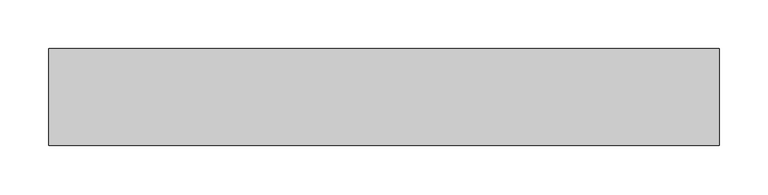
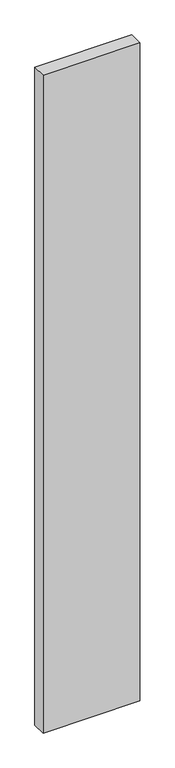
"""IFC4 building model written with IfcOpenShell, lengths in millimetres: proxy geometry."""

from ifc_helpers import new_model, si_unit, frame, origin, place, context, project, spatial, polyline, outline, extrude, source, transform, mapped, element, save


def generic_models_8cb3d6e7(model_context):
    return source(origin(), model_context, "Body", "SweptSolid", [
        extrude(outline(polyline([(690.0, 100.0), (690.0, 0.0), (0.0, 0.0), (0.0, 100.0), (690.0, 100.0)])), frame((0.0, 0.0, -4950.0), z_axis=(0.0, 0.0, 1.0), x_axis=(1.0, 0.0, 0.0)), (0.0, 0.0, 1.0), 4950.0),
    ])


if __name__ == "__main__":
    model = new_model("IFC4")
    model_context = context("Model", 3, world=origin())
    ifc_project = project(units=[si_unit("LENGTHUNIT", "METRE", prefix="MILLI")], contexts=[model_context])
    site = spatial("IfcSite", under=ifc_project)
    building = spatial("IfcBuilding", under=site)
    placement = place(None, origin())
    generic_models_shape = generic_models_8cb3d6e7(model_context)
    element("IfcBuildingElementProxy", 1, Name="Generic Models", at=placement, inside=building, context=model_context, shape_type="MappedRepresentation", body=[
        mapped(generic_models_shape, transform((0.0, 0.0, 0.0), x_axis=(1.0, 0.0, 0.0), y_axis=(0.0, 1.0, 0.0), z_axis=(0.0, 0.0, 1.0))),
    ])
    save(model, "model.ifc")
